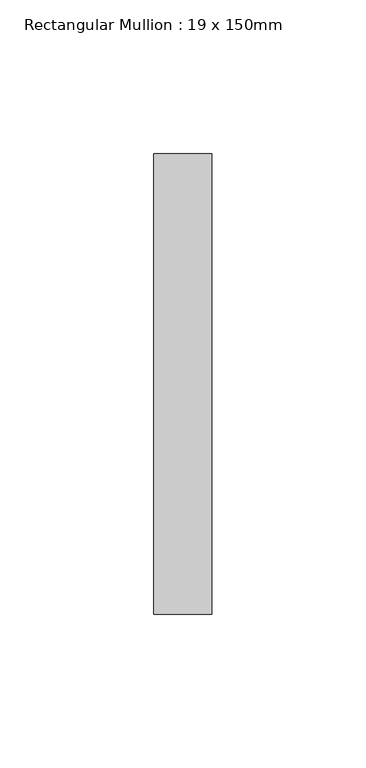
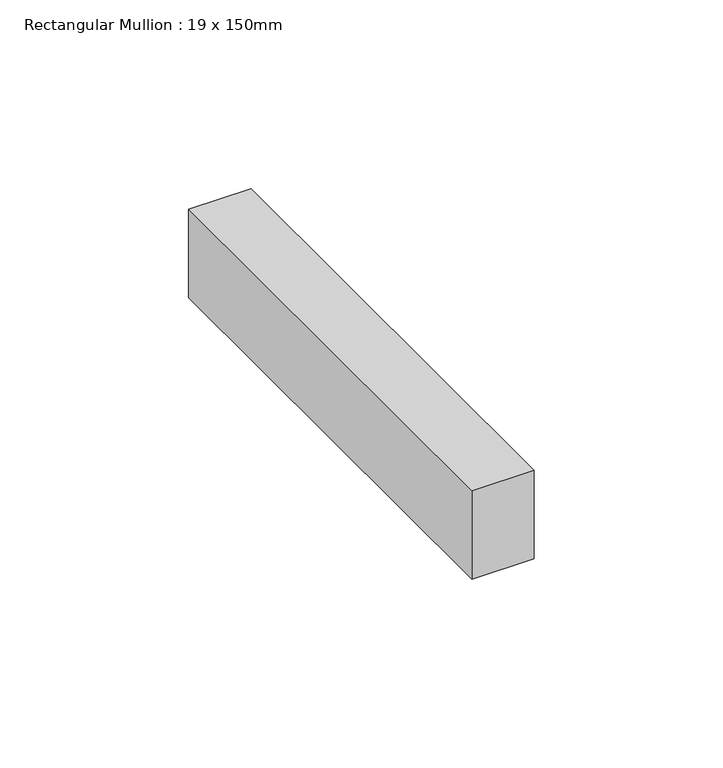
"""IFC4 building model written with IfcOpenShell, lengths in millimetres: member geometry, Rectangular Mullion : 19 x 150mm."""

from ifc_helpers import new_model, si_unit, frame, origin, place, context, project, spatial, polyline, outline, extrude, source, transform, mapped, element, save


def rectangular_mullion_19_x_150mm_28aa2adc(model_context):
    return source(origin(), model_context, "Body", "SweptSolid", [
        extrude(outline(polyline([(0.0, -25.0), (0.0, -175.0), (-19.0, -175.0), (-19.0, -25.0), (0.0, -25.0)])), frame((0.0, 0.0, -28.5273131), z_axis=(0.0, 0.0, 1.0), x_axis=(1.0, 0.0, 0.0)), (0.0, 0.0, 1.0), 28.5273131),
    ])


if __name__ == "__main__":
    model = new_model("IFC4")
    model_context = context("Model", 3, world=origin())
    ifc_project = project(units=[si_unit("LENGTHUNIT", "METRE", prefix="MILLI")], contexts=[model_context])
    site = spatial("IfcSite", under=ifc_project)
    building = spatial("IfcBuilding", under=site)
    placement = place(None, origin())
    rectangular_mullion_19_x_150mm_shape = rectangular_mullion_19_x_150mm_28aa2adc(model_context)
    element("IfcMember", 1, ObjectType="Rectangular Mullion : 19 x 150mm", at=placement, inside=building, context=model_context, shape_type="MappedRepresentation", body=[
        mapped(rectangular_mullion_19_x_150mm_shape, transform((0.0, 0.0, 0.0), x_axis=(1.0, 0.0, 0.0), y_axis=(0.0, 1.0, 0.0), z_axis=(0.0, 0.0, 1.0))),
    ])
    save(model, "model.ifc")
